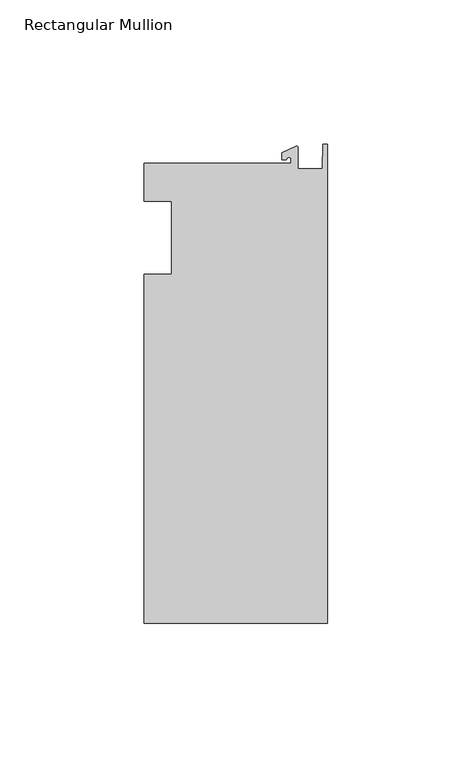
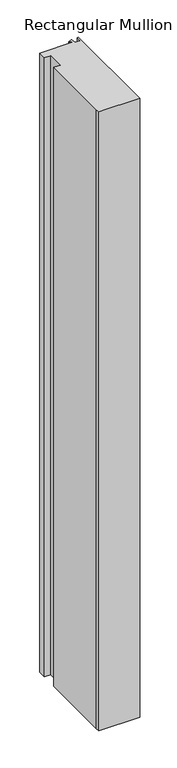
"""IFC4 building model written with IfcOpenShell, lengths in millimetres: member geometry, Rectangular Mullion."""

from ifc_helpers import new_model, si_unit, point, frame, frame_2d, origin, place, context, project, spatial, polyline, circle_curve, trimmed, segment, composite_curve, outline, extrude, source, transform, mapped, element, save


def rectangular_mullion_8687ef36(model_context):
    return source(origin(), model_context, "Body", "SweptSolid", [
        extrude(outline(composite_curve([segment(polyline([(-12.6173814, 25.796875), (-12.6173814, 27.0827507)]), True, "CONTINUOUS"), segment(trimmed(circle_curve(frame_2d((-13.4111314, 27.0827507)), 0.79375), [point((-12.6173814, 27.0827507))], [point((-14.2048814, 27.0827507))], True, "CARTESIAN"), True, "CONTINUOUS"), segment(polyline([(-14.2048814, 27.0827507), (-15.7923814, 27.0827507), (-15.7923814, 29.44495), (-10.9524715, 31.7018371)]), True, "CONTINUOUS"), segment(trimmed(circle_curve(frame_2d((-10.7377814, 31.2414327)), 0.508), [point((-10.9524715, 31.7018371))], [point((-10.2297814, 31.2414327))], False, "CARTESIAN"), True, "CONTINUOUS"), segment(polyline([(-10.2297814, 31.2414327), (-10.2297814, 23.9227662), (-1.7144124, 23.9227662), (-1.5658966, 32.288874), (0.0, 32.288874), (0.0, -133.34365), (-63.5, -133.34365), (-63.5, -125.8114907), (-63.5, -12.7), (-53.975, -12.7), (-53.975, 12.7), (-63.5, 12.7), (-63.5, 25.796875), (-12.6173814, 25.796875)]), True, "CONTINUOUS")], self_intersect=False)), frame((0.0, 0.0, -1016.0), z_axis=(0.0, 0.0, 1.0), x_axis=(1.0, 0.0, 0.0)), (0.0, 0.0, 1.0), 1016.0),
    ])


if __name__ == "__main__":
    model = new_model("IFC4")
    model_context = context("Model", 3, world=origin())
    ifc_project = project(units=[si_unit("LENGTHUNIT", "METRE", prefix="MILLI")], contexts=[model_context])
    site = spatial("IfcSite", under=ifc_project)
    building = spatial("IfcBuilding", under=site)
    placement = place(None, origin())
    rectangular_mullion_shape = rectangular_mullion_8687ef36(model_context)
    element("IfcMember", 1, ObjectType="Rectangular Mullion", at=placement, inside=building, context=model_context, shape_type="MappedRepresentation", body=[
        mapped(rectangular_mullion_shape, transform((0.0, 0.0, 0.0), x_axis=(1.0, 0.0, 0.0), y_axis=(0.0, 1.0, 0.0), z_axis=(0.0, 0.0, 1.0))),
    ])
    save(model, "model.ifc")
